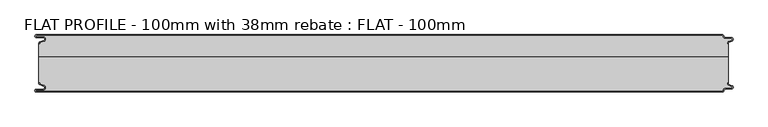
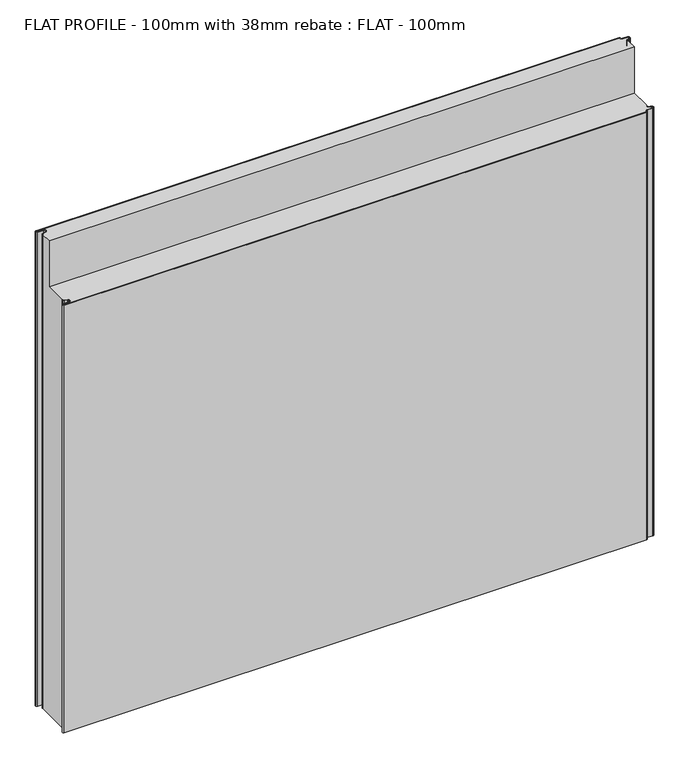
"""IFC4 building model written with IfcOpenShell, lengths in millimetres: proxy geometry, FLAT PROFILE - 100mm with 38mm rebate : FLAT - 100mm."""

import ifcopenshell
import ifcopenshell.guid

model = None  # the IFC model being written
_history = None  # IfcOwnerHistory: only IFC2X3 demands one
_inside = {}  # id of a spatial element -> (the spatial element, [elements in it])
_under = {}  # id of a project, library or spatial element -> (it, [spatial elements below it])
_declared = {}  # id of a project -> (the project, [libraries it declares])
_typed = {}  # id of a type object -> (the type object, [elements of that type])
_made_of = {}  # id of a material, layer set ... -> (it, [elements and type objects made of it])


def new_model(schema):
    """Start an empty IFC model of exactly this schema.

    Asked for "IFC4X3", IfcOpenShell would pick the latest addendum, in which some entities
    have other attributes; the version numbers below select the first issue.
    IFC2X3 requires an IfcOwnerHistory on every rooted entity: one is made here for all.
    """
    global model, _history
    if schema == "IFC4X3":
        model = ifcopenshell.file(schema_version=(4, 3, 0, 0))
    else:
        model = ifcopenshell.file(schema=schema)
    _inside.clear()
    _under.clear()
    _declared.clear()
    _typed.clear()
    _made_of.clear()
    _history = None
    if model.schema == "IFC2X3":
        org = make("IfcOrganization", Name="unknown")
        user = make(
            "IfcPersonAndOrganization",
            ThePerson=make("IfcPerson", FamilyName="unknown"),
            TheOrganization=org,
        )
        app = make(
            "IfcApplication",
            ApplicationDeveloper=org,
            Version="unknown",
            ApplicationFullName="unknown",
            ApplicationIdentifier="unknown",
        )
        _history = make(
            "IfcOwnerHistory",
            OwningUser=user,
            OwningApplication=app,
            ChangeAction="ADDED",
            CreationDate=0,
        )
    return model


def make(cls, **values):
    """One entity of the class cls with the attributes given. An attribute that is None is left unset."""
    return model.create_entity(
        cls, **{name: value for name, value in values.items() if value is not None}
    )


def rooted(cls, **values):
    """An entity with a GlobalId (a new one), such as an element, a storey or a relation."""
    return make(cls, GlobalId=ifcopenshell.guid.new(), OwnerHistory=_history, **values)


def si_unit(unit_type, name, prefix=None):
    """IfcSIUnit, for example si_unit("LENGTHUNIT", "METRE", prefix="MILLI")."""
    return make("IfcSIUnit", UnitType=unit_type, Prefix=prefix, Name=name)


def assignment(units):
    """IfcUnitAssignment: the units of a project."""
    return None if units is None else make("IfcUnitAssignment", Units=units)


def point(xyz):
    """IfcCartesianPoint."""
    return None if xyz is None else make("IfcCartesianPoint", Coordinates=xyz)


def direction(xyz):
    """IfcDirection."""
    return None if xyz is None else make("IfcDirection", DirectionRatios=xyz)


def frame(location, z_axis=None, x_axis=None):
    """IfcAxis2Placement3D, a coordinate frame: its origin and axes. An axis left out is left unset."""
    return make(
        "IfcAxis2Placement3D",
        Location=point(location),
        Axis=direction(z_axis),
        RefDirection=direction(x_axis),
    )


def frame_2d(location, x_axis=None):
    """IfcAxis2Placement2D, a coordinate frame in the plane: its origin and x axis."""
    return make(
        "IfcAxis2Placement2D", Location=point(location), RefDirection=direction(x_axis)
    )


def origin():
    """The frame at (0, 0, 0) with its axes left unset."""
    return frame((0.0, 0.0, 0.0))


def origin_with_axes():
    """The frame at (0, 0, 0) with the z axis (0, 0, 1) and the x axis (1, 0, 0) written out."""
    return frame((0.0, 0.0, 0.0), z_axis=(0.0, 0.0, 1.0), x_axis=(1.0, 0.0, 0.0))


def place(relative_to, where):
    """IfcLocalPlacement: puts the frame where relative to a parent placement (None: the world)."""
    return make(
        "IfcLocalPlacement", PlacementRelTo=relative_to, RelativePlacement=where
    )


def context(
    kind, dimensions, precision=None, world=None, true_north=None, identifier=None
):
    """IfcGeometricRepresentationContext, for example the 3D "Model" context."""
    return make(
        "IfcGeometricRepresentationContext",
        ContextIdentifier=identifier,
        ContextType=kind,
        CoordinateSpaceDimension=dimensions,
        Precision=precision,
        WorldCoordinateSystem=world,
        TrueNorth=true_north,
    )


def project(units=None, contexts=None):
    """IfcProject with its units and contexts."""
    return rooted(
        "IfcProject",
        Name="project",
        RepresentationContexts=contexts,
        UnitsInContext=assignment(units),
    )


def spatial(cls, under=None, at=None, **own):
    """A site, building, storey or space (cls), placed at a placement, below another one or the project."""
    s = rooted(cls, ObjectPlacement=at, **own)
    if under is not None:
        _under.setdefault(under.id(), (under, []))[1].append(s)
    return s


def polyline(points):
    """IfcPolyline through the points."""
    return make("IfcPolyline", Points=[point(p) for p in points])


def circle_curve(where, radius):
    """IfcCircle in the frame where."""
    return make("IfcCircle", Position=where, Radius=radius)


def trimmed(basis, trim1, trim2, sense, master):
    """IfcTrimmedCurve: the piece of a basis curve between two trims."""
    return make(
        "IfcTrimmedCurve",
        BasisCurve=basis,
        Trim1=trim1,
        Trim2=trim2,
        SenseAgreement=sense,
        MasterRepresentation=master,
    )


def segment(curve, same_sense, transition):
    """IfcCompositeCurveSegment."""
    return make(
        "IfcCompositeCurveSegment",
        Transition=transition,
        SameSense=same_sense,
        ParentCurve=curve,
    )


def composite_curve(segments, self_intersect=None):
    """IfcCompositeCurve: segments joined end to end."""
    return make("IfcCompositeCurve", Segments=segments, SelfIntersect=self_intersect)


def outline(outer, holes=None, kind="AREA"):
    """IfcArbitraryClosedProfileDef: a profile drawn as a closed curve; with holes, ...WithVoids."""
    if holes is None:
        return make("IfcArbitraryClosedProfileDef", ProfileType=kind, OuterCurve=outer)
    return make(
        "IfcArbitraryProfileDefWithVoids",
        ProfileType=kind,
        OuterCurve=outer,
        InnerCurves=holes,
    )


def extrude(swept, where, along, depth):
    """IfcExtrudedAreaSolid: the profile swept, set in the frame where, extruded along a direction by depth."""
    return make(
        "IfcExtrudedAreaSolid",
        SweptArea=swept,
        Position=where,
        ExtrudedDirection=direction(along),
        Depth=depth,
    )


def shape(context_of_items, identifier, shape_type, items):
    """IfcShapeRepresentation: the items that make up one representation, for example the "Body"."""
    return make(
        "IfcShapeRepresentation",
        ContextOfItems=context_of_items,
        RepresentationIdentifier=identifier,
        RepresentationType=shape_type,
        Items=items,
    )


def source(mapping_origin, context_of_items, identifier, shape_type, items):
    """IfcRepresentationMap: a shape defined once, which mapped items show again and again."""
    return make(
        "IfcRepresentationMap",
        MappingOrigin=mapping_origin,
        MappedRepresentation=shape(context_of_items, identifier, shape_type, items),
    )


def transform(
    local_origin,
    x_axis=None,
    y_axis=None,
    z_axis=None,
    scale=None,
    scale2=None,
    scale3=None,
    uniform=True,
):
    """IfcCartesianTransformationOperator3D, or its non-uniform kind. x_axis, y_axis, z_axis: its Axis1, 2, 3."""
    if uniform:
        return make(
            "IfcCartesianTransformationOperator3D",
            Axis1=direction(x_axis),
            Axis2=direction(y_axis),
            LocalOrigin=point(local_origin),
            Scale=scale,
            Axis3=direction(z_axis),
        )
    return make(
        "IfcCartesianTransformationOperator3DnonUniform",
        Axis1=direction(x_axis),
        Axis2=direction(y_axis),
        LocalOrigin=point(local_origin),
        Scale=scale,
        Axis3=direction(z_axis),
        Scale2=scale2,
        Scale3=scale3,
    )


def mapped(mapping_source, mapping_target):
    """IfcMappedItem: shows the shape of a source again, moved by a transform."""
    return make(
        "IfcMappedItem", MappingSource=mapping_source, MappingTarget=mapping_target
    )


def made_of(thing, what):
    """Note that an element or type object is made of a material, layer set ...; save() writes the relation."""
    if what is not None:
        _made_of.setdefault(what.id(), (what, []))[1].append(thing)
    return thing


def element(
    cls,
    number,
    at=None,
    inside=None,
    cuts=None,
    type_object=None,
    material=None,
    context=None,
    identifier="Body",
    shape_type=None,
    held_by="IfcProductDefinitionShape",
    body=None,
    shapes=None,
    **own,
):
    """One element of the class cls, such as IfcWall. Its Tag is "e" and its number.

    at: its placement. inside: the storey or other place that contains it. cuts: it is an
    opening in that element (IfcRelVoidsElement). A single representation is given by context,
    identifier, shape_type and body (its items); several are given by shapes. held_by: the class
    of the entity that holds the representations. save() writes the other relations.
    """
    e = rooted(cls, Tag="e%d" % number, ObjectPlacement=at, **own)
    if body is not None:
        shapes = [shape(context, identifier, shape_type, body)]
    if shapes is not None:
        e.Representation = make(held_by, Representations=shapes)
    if inside is not None:
        _inside.setdefault(inside.id(), (inside, []))[1].append(e)
    if cuts is not None:
        rooted(
            "IfcRelVoidsElement", RelatingBuildingElement=cuts, RelatedOpeningElement=e
        )
    if type_object is not None:
        _typed.setdefault(type_object.id(), (type_object, []))[1].append(e)
    return made_of(e, material)


def aggregate(whole, parts):
    """IfcRelAggregates: a whole, such as a stair, and the parts it consists of."""
    return rooted("IfcRelAggregates", RelatingObject=whole, RelatedObjects=parts)


def save(model, path):
    """Write the relations noted so far, then the file.

    IfcRelAggregates (storeys below a building ...), IfcRelContainedInSpatialStructure (elements
    in a storey), IfcRelDefinesByType, IfcRelAssociatesMaterial and IfcRelDeclares: one each for
    every whole, place, type object, material and project.
    """
    for whole, parts in _under.values():
        aggregate(whole, parts)
    for where, things in _inside.values():
        rooted(
            "IfcRelContainedInSpatialStructure",
            RelatedElements=things,
            RelatingStructure=where,
        )
    for kind, things in _typed.values():
        rooted("IfcRelDefinesByType", RelatedObjects=things, RelatingType=kind)
    for what, things in _made_of.values():
        rooted("IfcRelAssociatesMaterial", RelatedObjects=things, RelatingMaterial=what)
    for by, libraries in _declared.values():
        rooted("IfcRelDeclares", RelatingContext=by, RelatedDefinitions=libraries)
    model.write(path)


def plane_surface(at):
    """IfcPlane: the flat surface through the origin of the frame at, square to its z axis."""
    return make("IfcPlane", Position=at)


def cylinder_surface(at, radius):
    """IfcCylindricalSurface: all points at the distance radius from the z axis of the frame at."""
    return make("IfcCylindricalSurface", Position=at, Radius=radius)


def revolved_surface(curve, axis_point, axis_direction):
    """IfcSurfaceOfRevolution: the curve turned about the line through axis_point along axis_direction."""
    return make(
        "IfcSurfaceOfRevolution",
        SweptCurve=make("IfcArbitraryOpenProfileDef", ProfileType="CURVE", Curve=curve),
        AxisPosition=make("IfcAxis1Placement", Location=point(axis_point), Axis=direction(axis_direction)),
    )


def advanced_brep(points, edges, surfaces, faces):
    """IfcAdvancedBrep: a solid bounded by faces that lie on surfaces and meet in shared edges.

    An edge is (start, end): straight between two places in points (the first is 0);
    or (start, end, curve); or (start, end, curve, False) where it runs against its curve.
    A face is (place in surfaces, loops), or (place, loops, False) where it looks against
    its surface's normal. A loop lists edges by number (the first is 1), with a minus sign
    where the edge is run from its end to its start. The first loop is the outer one.
    """
    corners = [point(p) for p in points]
    vertices = [make("IfcVertexPoint", VertexGeometry=c) for c in corners]
    made = []
    for start, end, *more in edges:
        made.append(
            make(
                "IfcEdgeCurve",
                EdgeStart=vertices[start],
                EdgeEnd=vertices[end],
                EdgeGeometry=more[0] if more else make("IfcPolyline", Points=[corners[start], corners[end]]),
                SameSense=more[1] if len(more) > 1 else True,
            )
        )
    hull = []
    for where, loops, *sense in faces:
        bounds = []
        for j, loop in enumerate(loops):
            ring = [make("IfcOrientedEdge", EdgeElement=made[abs(k) - 1], Orientation=k > 0) for k in loop]
            bounds.append(
                make(
                    "IfcFaceOuterBound" if j == 0 else "IfcFaceBound",
                    Bound=make("IfcEdgeLoop", EdgeList=ring),
                    Orientation=True,
                )
            )
        hull.append(make("IfcAdvancedFace", Bounds=bounds, FaceSurface=surfaces[where], SameSense=sense[0] if sense else True))
    return make("IfcAdvancedBrep", Outer=make("IfcClosedShell", CfsFaces=hull))


def flat_profile_100mm_with_38mm_rebate_flat_100mm_79537b9f(model_context):
    return source(origin(), model_context, "Body", "SolidModel", [
        extrude(outline(composite_curve([segment(trimmed(circle_curve(frame_2d((-591.0050311, 35.1831944)), 1.0022625), [point((-591.3794419, 36.1128969))], [point((-591.9881924, 35.3779357))], True, "CARTESIAN"), True, "CONTINUOUS"), segment(polyline([(-591.9881924, 35.3779357), (-591.9881924, 34.2522214), (-592.9881924, 34.2522214), (-592.9881924, 35.4591051)]), True, "CONTINUOUS"), segment(trimmed(circle_curve(frame_2d((-591.0050311, 35.1831944)), 2.0022625), [point((-592.9881924, 35.4591051))], [point((-591.7530074, 37.0405007))], False, "CARTESIAN"), True, "CONTINUOUS"), segment(polyline([(-591.7530074, 37.0405007), (-589.7483949, 37.8478003), (-584.2598383, 39.8454715)]), True, "CONTINUOUS"), segment(trimmed(circle_curve(frame_2d((-585.2882153, 42.3376495)), 2.6960175), [point((-584.2598383, 39.8454715))], [point((-584.9801705, 45.0160107))], True, "CARTESIAN"), True, "CONTINUOUS"), segment(polyline([(-584.9801705, 45.0160107), (-597.3387672, 45.0160107)]), True, "CONTINUOUS"), segment(trimmed(circle_curve(frame_2d((-597.4921978, 47.511298)), 2.5), [point((-597.3387672, 45.0160107))], [point((-597.2548091, 50.0000019))], False, "CARTESIAN"), True, "CONTINUOUS"), segment(polyline([(-597.2548091, 50.0000019), (596.9016875, 50.0000019)]), True, "CONTINUOUS"), segment(trimmed(circle_curve(frame_2d((596.9047345, 47.4926459)), 2.5073578), [point((596.9016875, 50.0000019))], [point((599.4117582, 47.4517176))], False, "CARTESIAN"), True, "CONTINUOUS"), segment(trimmed(circle_curve(frame_2d((601.9112919, 47.5000019)), 2.5), [point((599.4117582, 47.4517176))], [point((601.9112919, 45.0000019))], True, "CARTESIAN"), True, "CONTINUOUS"), segment(polyline([(601.9112919, 45.0000019), (612.3116271, 45.0000019)]), True, "CONTINUOUS"), segment(trimmed(circle_curve(frame_2d((612.3116271, 41.9000019)), 3.1), [point((612.3116271, 45.0000019))], [point((613.3890842, 38.9932707))], False, "CARTESIAN"), True, "CONTINUOUS"), segment(polyline([(613.3890842, 38.9932707), (611.1427659, 38.1731578), (608.2411829, 37.0549269)]), True, "CONTINUOUS"), segment(trimmed(circle_curve(frame_2d((609.0514567, 35.1592666)), 2.0615701), [point((608.2411829, 37.0549269))], [point((607.0118076, 35.4591051))], True, "CARTESIAN"), True, "CONTINUOUS"), segment(polyline([(607.0118076, 35.4591051), (607.0118076, 34.2522232), (606.0107004, 34.2522232), (606.0682599, 35.475074)]), True, "CONTINUOUS"), segment(trimmed(circle_curve(frame_2d((608.9399875, 35.2468953)), 2.8807786), [point((606.0682599, 35.475074))], [point((607.8546835, 37.9154156))], False, "CARTESIAN"), True, "CONTINUOUS"), segment(polyline([(607.8546835, 37.9154156), (610.7828028, 39.1063001), (613.0435993, 39.9316988)]), True, "CONTINUOUS"), segment(trimmed(circle_curve(frame_2d((612.3116271, 41.9000019)), 2.1), [point((613.0435993, 39.9316988))], [point((612.3116271, 44.0000019))], True, "CARTESIAN"), True, "CONTINUOUS"), segment(polyline([(612.3116271, 44.0000019), (601.9112919, 44.0000019)]), True, "CONTINUOUS"), segment(trimmed(circle_curve(frame_2d((601.9112919, 47.5000019)), 3.5), [point((601.9112919, 44.0000019))], [point((598.4115951, 47.4539337))], False, "CARTESIAN"), True, "CONTINUOUS"), segment(trimmed(circle_curve(frame_2d((596.9047345, 47.4926459)), 1.5073578), [point((598.4115951, 47.4539337))], [point((596.902372, 49.0000019))], True, "CARTESIAN"), True, "CONTINUOUS"), segment(polyline([(596.902372, 49.0000019), (-597.3084562, 49.0000019)]), True, "CONTINUOUS"), segment(trimmed(circle_curve(frame_2d((-597.4921978, 47.511298)), 1.5), [point((-597.3084562, 49.0000019))], [point((-597.3733883, 46.0160107))], True, "CARTESIAN"), True, "CONTINUOUS"), segment(polyline([(-597.3733883, 46.0160107), (-584.9273771, 46.0160107)]), True, "CONTINUOUS"), segment(trimmed(circle_curve(frame_2d((-585.2882153, 42.3376495)), 3.6960175), [point((-584.9273771, 46.0160107))], [point((-583.8995097, 38.9124426))], False, "CARTESIAN"), True, "CONTINUOUS"), segment(polyline([(-583.8995097, 38.9124426), (-589.3904999, 36.9138856), (-591.3794419, 36.1128969)]), True, "CONTINUOUS")], self_intersect=False)), origin_with_axes(), (0.0, 0.0, 1.0), 1026.3887139),
        extrude(outline(composite_curve([segment(polyline([(-591.3794419, -36.1128932), (-589.3904999, -36.9138819), (-583.8995097, -38.9124389)]), True, "CONTINUOUS"), segment(trimmed(circle_curve(frame_2d((-585.2882153, -42.3376458)), 3.6960175), [point((-583.8995097, -38.9124389))], [point((-584.9273771, -46.016007))], False, "CARTESIAN"), True, "CONTINUOUS"), segment(polyline([(-584.9273771, -46.016007), (-597.3733883, -46.016007)]), True, "CONTINUOUS"), segment(trimmed(circle_curve(frame_2d((-597.4921978, -47.5112943)), 1.5), [point((-597.3733883, -46.016007))], [point((-597.3084562, -48.9999981))], True, "CARTESIAN"), True, "CONTINUOUS"), segment(polyline([(-597.3084562, -48.9999981), (596.902372, -48.9999981)]), True, "CONTINUOUS"), segment(trimmed(circle_curve(frame_2d((596.9047345, -47.4926422)), 1.5073578), [point((596.902372, -48.9999981))], [point((598.4115951, -47.45393))], True, "CARTESIAN"), True, "CONTINUOUS"), segment(trimmed(circle_curve(frame_2d((601.9112919, -47.4999981)), 3.5), [point((598.4115951, -47.45393))], [point((601.9112919, -43.9999981))], False, "CARTESIAN"), True, "CONTINUOUS"), segment(polyline([(601.9112919, -43.9999981), (612.3116271, -43.9999981)]), True, "CONTINUOUS"), segment(trimmed(circle_curve(frame_2d((612.3116271, -41.8999981)), 2.1), [point((612.3116271, -43.9999981))], [point((613.0435993, -39.9316951))], True, "CARTESIAN"), True, "CONTINUOUS"), segment(polyline([(613.0435993, -39.9316951), (610.7828028, -39.1062964), (607.8546835, -37.9154119)]), True, "CONTINUOUS"), segment(trimmed(circle_curve(frame_2d((608.9399875, -35.2468916)), 2.8807786), [point((607.8546835, -37.9154119))], [point((606.0682599, -35.4750703))], False, "CARTESIAN"), True, "CONTINUOUS"), segment(polyline([(606.0682599, -35.4750703), (606.0107004, -34.2522195), (607.0118076, -34.2522195), (607.0118076, -35.4591014)]), True, "CONTINUOUS"), segment(trimmed(circle_curve(frame_2d((609.0514567, -35.1592629)), 2.0615701), [point((607.0118076, -35.4591014))], [point((608.2411829, -37.0549231))], True, "CARTESIAN"), True, "CONTINUOUS"), segment(polyline([(608.2411829, -37.0549231), (611.1427659, -38.1731541), (613.3890842, -38.993267)]), True, "CONTINUOUS"), segment(trimmed(circle_curve(frame_2d((612.3116271, -41.8999981)), 3.1), [point((613.3890842, -38.993267))], [point((612.3116271, -44.9999981))], False, "CARTESIAN"), True, "CONTINUOUS"), segment(polyline([(612.3116271, -44.9999981), (601.9112919, -44.9999981)]), True, "CONTINUOUS"), segment(trimmed(circle_curve(frame_2d((601.9112919, -47.4999981)), 2.5), [point((601.9112919, -44.9999981))], [point((599.4117582, -47.4517139))], True, "CARTESIAN"), True, "CONTINUOUS"), segment(trimmed(circle_curve(frame_2d((596.9047345, -47.4926422)), 2.5073578), [point((599.4117582, -47.4517139))], [point((596.9016875, -49.9999981))], False, "CARTESIAN"), True, "CONTINUOUS"), segment(polyline([(596.9016875, -49.9999981), (-597.2548091, -49.9999981)]), True, "CONTINUOUS"), segment(trimmed(circle_curve(frame_2d((-597.4921978, -47.5112943)), 2.5), [point((-597.2548091, -49.9999981))], [point((-597.3387672, -45.016007))], False, "CARTESIAN"), True, "CONTINUOUS"), segment(polyline([(-597.3387672, -45.016007), (-584.9801705, -45.016007)]), True, "CONTINUOUS"), segment(trimmed(circle_curve(frame_2d((-585.2882153, -42.3376458)), 2.6960175), [point((-584.9801705, -45.016007))], [point((-584.2598383, -39.8454678))], True, "CARTESIAN"), True, "CONTINUOUS"), segment(polyline([(-584.2598383, -39.8454678), (-589.7483949, -37.8477966), (-591.7530074, -37.040497)]), True, "CONTINUOUS"), segment(trimmed(circle_curve(frame_2d((-591.0050311, -35.1831907)), 2.0022625), [point((-591.7530074, -37.040497))], [point((-592.9881924, -35.4591014))], False, "CARTESIAN"), True, "CONTINUOUS"), segment(polyline([(-592.9881924, -35.4591014), (-592.9881924, -34.2522177), (-591.9881924, -34.2522177), (-591.9881924, -35.3779319)]), True, "CONTINUOUS"), segment(trimmed(circle_curve(frame_2d((-591.0050311, -35.1831907)), 1.0022625), [point((-591.9881924, -35.3779319))], [point((-591.3794419, -36.1128932))], True, "CARTESIAN"), True, "CONTINUOUS")], self_intersect=False)), origin_with_axes(), (0.0, 0.0, 1.0), 926.3887139),
        advanced_brep(
        [(-591.3794419, 36.1128969, 1026.3887139), (-591.9881924, 35.3779357, 1026.3887139), (-591.9881924, 34.2522214, 1026.3887139), (-592.9881924, 34.2522214, 1026.3887139), (-592.9881924, 11.9887057, 1026.3887139), (607.0118076, 11.9887057, 1026.3887139), (607.0118076, 34.2522232, 1026.3887139), (606.0107004, 34.2522232, 1026.3887139), (606.0682599, 35.475074, 1026.3887139), (607.8546835, 37.9154156, 1026.3887139), (610.7828028, 39.1063001, 1026.3887139), (613.0435993, 39.9316988, 1026.3887139), (612.3116271, 44.0000019, 1026.3887139), (601.9112919, 44.0000019, 1026.3887139), (598.4115951, 47.4539337, 1026.3887139), (596.902372, 49.0000019, 1026.3887139), (-597.3084562, 49.0000019, 1026.3887139), (-597.3733883, 46.0160107, 1026.3887139), (-584.9273771, 46.0160107, 1026.3887139), (-583.8995097, 38.9124426, 1026.3887139), (-589.3904999, 36.9138856, 1026.3887139), (-591.3794419, 36.1128969, 0.0), (-589.3904999, 36.9138856, 0.0), (-583.8995097, 38.9124426, 0.0), (-584.9273771, 46.0160107, 0.0), (-597.3733883, 46.0160107, 0.0), (-597.3084562, 49.0000019, 0.0), (596.902372, 49.0000019, 0.0), (598.4115951, 47.4539337, 0.0), (601.9112919, 44.0000019, 0.0), (612.3116271, 44.0000019, 0.0), (613.0435993, 39.9316988, 0.0), (610.7828028, 39.1063001, 0.0), (607.8546835, 37.9154156, 0.0), (606.0682599, 35.475074, 0.0), (606.0107004, 34.2522232, 0.0), (607.0118076, 34.2522232, 0.0), (607.0118076, -34.2522195, 0.0), (606.0107004, -34.2522195, 0.0), (606.0682599, -35.4750703, 0.0), (607.8546835, -37.9154119, 0.0), (610.7828028, -39.1062964, 0.0), (613.0435993, -39.9316951, 0.0), (612.3116271, -43.9999981, 0.0), (601.9112919, -43.9999981, 0.0), (598.4115951, -47.45393, 0.0), (596.902372, -48.9999981, 0.0), (-597.3084562, -48.9999981, 0.0), (-597.3733883, -46.016007, 0.0), (-584.9273771, -46.016007, 0.0), (-583.8995097, -38.9124389, 0.0), (-589.3904999, -36.9138819, 0.0), (-591.3794419, -36.1128932, 0.0), (-591.9881924, -35.3779319, 0.0), (-591.9881924, -34.2522214, 0.0), (-592.9881924, -34.2522214, 0.0), (-592.9881924, 34.2522214, 0.0), (-591.9881924, 34.2522214, 0.0), (-591.9881924, 35.3779357, 0.0), (-592.9881924, -34.2522214, 926.3887139), (-592.9881924, -27.0147367, 926.3887139), (-592.9881924, 11.9887057, 926.3887139), (-591.9881924, -34.2522214, 926.3887139), (-591.9881924, -35.3779319, 926.3887139), (-591.3794419, -36.1128932, 926.3887139), (-589.3904999, -36.9138819, 926.3887139), (-583.8995097, -38.9124389, 926.3887139), (-584.9273771, -46.016007, 926.3887139), (-597.3733883, -46.016007, 926.3887139), (-597.3084562, -48.9999981, 926.3887139), (596.902372, -48.9999981, 926.3887139), (598.4115951, -47.45393, 926.3887139), (601.9112919, -43.9999981, 926.3887139), (612.3116271, -43.9999981, 926.3887139), (613.0435993, -39.9316951, 926.3887139), (610.7828028, -39.1062964, 926.3887139), (607.8546835, -37.9154119, 926.3887139), (606.0682599, -35.4750703, 926.3887139), (606.0107004, -34.2522195, 926.3887139), (607.0118076, -34.2522195, 926.3887139), (607.0118076, 11.9887057, 926.3887139), (607.0118076, -27.0147367, 926.3887139)],
        [
            (0, 1, circle_curve(frame((-591.0050311, 35.1831944, 1026.3887139), z_axis=(0.0, 0.0, 1.0), x_axis=(-0.9809418279781308, 0.19430164724706622, 0.0)), 1.0022625)),
            (1, 2),
            (2, 3),
            (3, 4),
            (4, 5),
            (5, 6),
            (6, 7),
            (7, 8),
            (8, 9, circle_curve(frame((608.9399875, 35.2468953, 1026.3887139), z_axis=(0.0, 0.0, -1.0), x_axis=(-0.3767398216573044, 0.9263191171392408, 0.0)), 2.8807786)),
            (9, 10),
            (10, 11),
            (11, 12, circle_curve(frame((612.3116271, 41.9000019, 1026.3887139), z_axis=(0.0, 0.0, 1.0), x_axis=(0.0, 1.0, 0.0)), 2.1)),
            (12, 13),
            (13, 14, circle_curve(frame((601.9112919, 47.5000019, 1026.3887139), z_axis=(0.0, 0.0, -1.0), x_axis=(-0.9999133729245651, -0.01316231919608663, 0.0)), 3.5)),
            (14, 15, circle_curve(frame((596.9047345, 47.4926459, 1026.3887139), z_axis=(0.0, 0.0, 1.0), x_axis=(-0.001567336480790923, 0.9999987717274237, 0.0)), 1.5073578)),
            (15, 16),
            (16, 17, circle_curve(frame((-597.4921978, 47.511298, 1026.3887139), z_axis=(0.0, 0.0, 1.0), x_axis=(0.07920631384694989, -0.9968582446099238, 0.0)), 1.5)),
            (17, 18),
            (18, 19, circle_curve(frame((-585.2882153, 42.3376495, 1026.3887139), z_axis=(0.0, 0.0, -1.0), x_axis=(0.3757302444367203, -0.9267290776788665, 0.0)), 3.6960175)),
            (19, 20),
            (20, 0),
            (21, 22),
            (22, 23),
            (23, 24, circle_curve(frame((-585.2882153, 42.3376495, 0.0), z_axis=(0.0, 0.0, 1.0), x_axis=(0.3757302444367203, -0.9267290776788665, 0.0)), 3.6960175)),
            (24, 25),
            (25, 26, circle_curve(frame((-597.4921978, 47.511298, 0.0), z_axis=(0.0, 0.0, -1.0), x_axis=(0.07920631384694989, -0.9968582446099238, 0.0)), 1.5)),
            (26, 27),
            (27, 28, circle_curve(frame((596.9047345, 47.4926459, 0.0), z_axis=(0.0, 0.0, -1.0), x_axis=(-0.001567336480790923, 0.9999987717274237, 0.0)), 1.5073578)),
            (28, 29, circle_curve(frame((601.9112919, 47.5000019, 0.0), z_axis=(0.0, 0.0, 1.0), x_axis=(-0.9999133729245651, -0.01316231919608663, 0.0)), 3.5)),
            (29, 30),
            (30, 31, circle_curve(frame((612.3116271, 41.9000019, 0.0), z_axis=(0.0, 0.0, -1.0), x_axis=(0.0, 1.0, 0.0)), 2.1)),
            (31, 32),
            (32, 33),
            (33, 34, circle_curve(frame((608.9399875, 35.2468953, 0.0), z_axis=(0.0, 0.0, 1.0), x_axis=(-0.3767398216573044, 0.9263191171392408, 0.0)), 2.8807786)),
            (34, 35),
            (35, 36),
            (36, 37),
            (37, 38),
            (38, 39),
            (39, 40, circle_curve(frame((608.9399875, -35.2468916, 0.0), z_axis=(0.0, 0.0, 1.0), x_axis=(-0.37673982165718617, -0.9263191171392889, 0.0)), 2.8807786)),
            (40, 41),
            (41, 42),
            (42, 43, circle_curve(frame((612.3116271, -41.8999981, 0.0), z_axis=(0.0, 0.0, -1.0), x_axis=(0.0, -1.0, 0.0)), 2.1)),
            (43, 44),
            (44, 45, circle_curve(frame((601.9112919, -47.4999981, 0.0), z_axis=(0.0, 0.0, 1.0), x_axis=(-0.9999133729245651, 0.013162319196090405, 0.0)), 3.5)),
            (45, 46, circle_curve(frame((596.9047345, -47.4926422, 0.0), z_axis=(0.0, 0.0, -1.0), x_axis=(-0.0015673364807945796, -0.9999987717274237, 0.0)), 1.5073578)),
            (46, 47),
            (47, 48, circle_curve(frame((-597.4921978, -47.5112943, 0.0), z_axis=(0.0, 0.0, -1.0), x_axis=(0.07920631384695365, 0.9968582446099234, 0.0)), 1.5)),
            (48, 49),
            (49, 50, circle_curve(frame((-585.2882153, -42.3376458, 0.0), z_axis=(0.0, 0.0, 1.0), x_axis=(0.3757302444367238, 0.926729077678865, 0.0)), 3.6960175)),
            (50, 51),
            (51, 52),
            (52, 53, circle_curve(frame((-591.0050311, -35.1831907, 0.0), z_axis=(0.0, 0.0, -1.0), x_axis=(-0.9809418279781315, -0.1943016472470625, 0.0)), 1.0022625)),
            (53, 54),
            (54, 55),
            (55, 56),
            (56, 57),
            (57, 58),
            (58, 21, circle_curve(frame((-591.0050311, 35.1831944, 0.0), z_axis=(0.0, 0.0, -1.0), x_axis=(-0.9809418279781308, 0.19430164724706622, 0.0)), 1.0022625)),
            (0, 21),
            (58, 1),
            (57, 2),
            (56, 3),
            (55, 59),
            (59, 60),
            (60, 61),
            (61, 4),
            (54, 62),
            (62, 59),
            (53, 63),
            (63, 62),
            (52, 64),
            (64, 63, circle_curve(frame((-591.0050311, -35.1831907, 926.3887139), z_axis=(0.0, 0.0, -1.0), x_axis=(-0.9809418279781315, -0.1943016472470625, 0.0)), 1.0022625)),
            (51, 65),
            (65, 64),
            (50, 66),
            (66, 65),
            (49, 67),
            (67, 66, circle_curve(frame((-585.2882153, -42.3376458, 926.3887139), z_axis=(0.0, 0.0, 1.0), x_axis=(0.3757302444367238, 0.926729077678865, 0.0)), 3.6960175)),
            (48, 68),
            (68, 67),
            (47, 69),
            (69, 68, circle_curve(frame((-597.4921978, -47.5112943, 926.3887139), z_axis=(0.0, 0.0, -1.0), x_axis=(0.07920631384695365, 0.9968582446099234, 0.0)), 1.5)),
            (46, 70),
            (70, 69),
            (45, 71),
            (71, 70, circle_curve(frame((596.9047345, -47.4926422, 926.3887139), z_axis=(0.0, 0.0, -1.0), x_axis=(-0.0015673364807945796, -0.9999987717274237, 0.0)), 1.5073578)),
            (44, 72),
            (72, 71, circle_curve(frame((601.9112919, -47.4999981, 926.3887139), z_axis=(0.0, 0.0, 1.0), x_axis=(-0.9999133729245651, 0.013162319196090405, 0.0)), 3.5)),
            (43, 73),
            (73, 72),
            (42, 74),
            (74, 73, circle_curve(frame((612.3116271, -41.8999981, 926.3887139), z_axis=(0.0, 0.0, -1.0), x_axis=(0.0, -1.0, 0.0)), 2.1)),
            (41, 75),
            (75, 74),
            (40, 76),
            (76, 75),
            (39, 77),
            (77, 76, circle_curve(frame((608.9399875, -35.2468916, 926.3887139), z_axis=(0.0, 0.0, 1.0), x_axis=(-0.37673982165718617, -0.9263191171392889, 0.0)), 2.8807786)),
            (38, 78),
            (78, 77),
            (37, 79),
            (79, 78),
            (36, 6),
            (5, 80),
            (80, 81),
            (81, 79),
            (35, 7),
            (34, 8),
            (33, 9),
            (32, 10),
            (31, 11),
            (30, 12),
            (29, 13),
            (28, 14),
            (27, 15),
            (26, 16),
            (25, 17),
            (24, 18),
            (23, 19),
            (22, 20),
            (61, 80),
        ],
        [
            plane_surface(frame((0.0, 0.0, 1026.3887139), z_axis=(0.0, 0.0, 1.0), x_axis=(1.0, 0.0, 0.0))),
            plane_surface(frame((0.0, 0.0, 0.0), z_axis=(0.0, 0.0, -1.0), x_axis=(1.0, 0.0, 0.0))),
            cylinder_surface(frame((-591.0050311, 35.1831944, 1026.3887139), z_axis=(0.0, 0.0, 1.0), x_axis=(-0.9809418279781308, 0.19430164724706622, 0.0)), 1.0022625),
            plane_surface(frame((-591.9881924, 35.3779357, 1026.3887139), z_axis=(-1.0, 0.0, 0.0), x_axis=(0.0, 0.0, -1.0))),
            plane_surface(frame((-591.9881924, 34.2522214, 1026.3887139), z_axis=(0.0, 1.0, 0.0), x_axis=(0.0, 0.0, -1.0))),
            plane_surface(frame((-592.9881924, 34.2522214, 1026.3887139), z_axis=(-1.0, 0.0, 0.0), x_axis=(0.0, 0.0, -1.0))),
            plane_surface(frame((-592.9881924, -34.2522214, 1026.3887139), z_axis=(0.0, -1.0, 0.0), x_axis=(0.0, 0.0, -1.0))),
            plane_surface(frame((-591.9881924, -34.2522214, 1026.3887139), z_axis=(-1.0, 0.0, 0.0), x_axis=(0.0, 0.0, -1.0))),
            cylinder_surface(frame((-591.0050311, -35.1831907, 1026.3887139), z_axis=(0.0, 0.0, 1.0), x_axis=(-0.9809418279781315, -0.1943016472470625, 0.0)), 1.0022625),
            plane_surface(frame((-591.3794419, -36.1128932, 1026.3887139), z_axis=(-0.3735655344162246, -0.927603790147669, 0.0), x_axis=(0.0, 0.0, -1.0))),
            plane_surface(frame((-589.3904999, -36.9138819, 1026.3887139), z_axis=(-0.34202014332566044, -0.9396926207859114, 0.0), x_axis=(0.0, 0.0, -1.0))),
            revolved_surface(polyline([(-583.8995097412826, -38.91243891114005, 0.0), (-583.8995097412826, -38.91243891114005, 926.3887139)]), (-585.2882153, -42.3376458, 1026.3887139), (0.0, 0.0, -1.0)),
            plane_surface(frame((-584.9273771, -46.016007, 1026.3887139), z_axis=(0.0, 1.0, 0.0), x_axis=(0.0, 0.0, -1.0))),
            cylinder_surface(frame((-597.4921978, -47.5112943, 1026.3887139), z_axis=(0.0, 0.0, 1.0), x_axis=(0.07920631384695365, 0.9968582446099234, 0.0)), 1.5),
            plane_surface(frame((-597.3084562, -48.9999981, 1026.3887139), z_axis=(0.0, -1.0, 0.0), x_axis=(0.0, 0.0, -1.0))),
            cylinder_surface(frame((596.9047345, -47.4926422, 1026.3887139), z_axis=(0.0, 0.0, 1.0), x_axis=(-0.0015673364807945796, -0.9999987717274237, 0.0)), 1.5073578),
            revolved_surface(polyline([(598.411595094764, -47.45392998281368, 0.0), (598.411595094764, -47.45392998281368, 926.3887139)]), (601.9112919, -47.4999981, 1026.3887139), (0.0, 0.0, -1.0)),
            plane_surface(frame((601.9112919, -43.9999981, 1026.3887139), z_axis=(0.0, -1.0, 0.0), x_axis=(0.0, 0.0, -1.0))),
            cylinder_surface(frame((612.3116271, -41.8999981, 1026.3887139), z_axis=(0.0, 0.0, 1.0), x_axis=(0.0, -1.0, 0.0)), 2.1),
            plane_surface(frame((613.0435993, -39.9316951, 1026.3887139), z_axis=(0.3429504420524923, 0.939353498048525, 0.0), x_axis=(0.0, 0.0, -1.0))),
            plane_surface(frame((610.7828028, -39.1062964, 1026.3887139), z_axis=(0.3767398216573625, 0.9263191171392172, 0.0), x_axis=(0.0, 0.0, -1.0))),
            revolved_surface(polyline([(607.8546834840022, -37.915411889425755, -4.547473508864641e-13), (607.8546834840022, -37.915411889425755, 926.3887138999999)]), (608.9399875, -35.2468916, 1026.3887139), (0.0, 0.0, -1.0000000000000002)),
            plane_surface(frame((606.0682599, -35.4750703, 1026.3887139), z_axis=(0.9988940489238197, 0.047017858570736114, 0.0), x_axis=(0.0, 0.0, -1.0))),
            plane_surface(frame((606.0107004, -34.2522195, 1026.3887139), z_axis=(0.0, -1.0, 0.0), x_axis=(0.0, 0.0, -1.0))),
            plane_surface(frame((607.0118076, -34.2522195, 1026.3887139), z_axis=(1.0, 0.0, 0.0), x_axis=(0.0, 0.0, -1.0))),
            plane_surface(frame((607.0118076, 34.2522232, 1026.3887139), z_axis=(0.0, 1.0, 0.0), x_axis=(0.0, 0.0, -1.0))),
            plane_surface(frame((606.0107004, 34.2522232, 1026.3887139), z_axis=(0.9988940489238193, -0.0470178585707465, 0.0), x_axis=(0.0, 0.0, -1.0))),
            revolved_surface(polyline([(607.8546834840018, 37.91541558942561, 0.0), (607.8546834840018, 37.91541558942561, 1026.3887139)]), (608.9399875, 35.2468953, 1026.3887139), (0.0, 0.0, -1.0)),
            plane_surface(frame((607.8546835, 37.9154156, 1026.3887139), z_axis=(0.3767398216573234, -0.9263191171392331, 0.0), x_axis=(0.0, 0.0, -1.0))),
            plane_surface(frame((610.7828028, 39.1063001, 1026.3887139), z_axis=(0.3429504420524923, -0.939353498048525, 0.0), x_axis=(0.0, 0.0, -1.0))),
            cylinder_surface(frame((612.3116271, 41.9000019, 1026.3887139), z_axis=(0.0, 0.0, 1.0), x_axis=(0.0, 1.0, 0.0)), 2.1),
            plane_surface(frame((612.3116271, 44.0000019, 1026.3887139), z_axis=(0.0, 1.0, 0.0), x_axis=(0.0, 0.0, -1.0))),
            revolved_surface(polyline([(598.411595094764, 47.4539337828137, 0.0), (598.411595094764, 47.4539337828137, 1026.3887139)]), (601.9112919, 47.5000019, 1026.3887139), (0.0, 0.0, -1.0)),
            cylinder_surface(frame((596.9047345, 47.4926459, 1026.3887139), z_axis=(0.0, 0.0, 1.0), x_axis=(-0.001567336480790923, 0.9999987717274237, 0.0)), 1.5073578),
            plane_surface(frame((596.902372, 49.0000019, 1026.3887139), z_axis=(0.0, 1.0, 0.0), x_axis=(0.0, 0.0, -1.0))),
            cylinder_surface(frame((-597.4921978, 47.511298, 1026.3887139), z_axis=(0.0, 0.0, 1.0000000000000002), x_axis=(0.07920631384694989, -0.9968582446099238, 0.0)), 1.5),
            plane_surface(frame((-597.3733883, 46.0160107, 1026.3887139), z_axis=(0.0, -1.0, 0.0), x_axis=(0.0, 0.0, -1.0))),
            revolved_surface(polyline([(-583.8995097412826, 38.91244261114005, -4.547473508864641e-13), (-583.8995097412826, 38.91244261114005, 1026.3887139)]), (-585.2882153, 42.3376495, 1026.3887139), (0.0, 0.0, -1.0000000000000002)),
            plane_surface(frame((-583.8995097, 38.9124426, 1026.3887139), z_axis=(-0.3420201433256566, 0.9396926207859129, 0.0), x_axis=(0.0, 0.0, -1.0))),
            plane_surface(frame((-589.3904999, 36.9138856, 1026.3887139), z_axis=(-0.37356553441622287, 0.9276037901476696, 0.0), x_axis=(0.0, 0.0, -1.0))),
            plane_surface(frame((-602.9881924, 11.9887057, 1026.3887139), z_axis=(0.0, -1.0, 0.0), x_axis=(1.0, 0.0, 0.0))),
            plane_surface(frame((-602.9881924, 11.9887057, 926.3887139), z_axis=(0.0, 0.0, 1.0), x_axis=(1.0, 0.0, 0.0))),
        ],
        [
            (0, [[1, 2, 3, 4, 5, 6, 7, 8, 9, 10, 11, 12, 13, 14, 15, 16, 17, 18, 19, 20, 21]]),
            (1, [[22, 23, 24, 25, 26, 27, 28, 29, 30, 31, 32, 33, 34, 35, 36, 37, 38, 39, 40, 41, 42, 43, 44, 45, 46, 47, 48, 49, 50, 51, 52, 53, 54, 55, 56, 57, 58, 59]]),
            (2, [[-1, 60, -59, 61]]),
            (3, [[-2, -61, -58, 62]]),
            (4, [[-3, -62, -57, 63]]),
            (5, [[-56, 64, 65, 66, 67, -4, -63]]),
            (6, [[-55, 68, 69, -64]]),
            (7, [[-54, 70, 71, -68]]),
            (8, [[-53, 72, 73, -70]]),
            (9, [[-52, 74, 75, -72]]),
            (10, [[-51, 76, 77, -74]]),
            (11, [[-50, 78, 79, -76]]),
            (12, [[-49, 80, 81, -78]]),
            (13, [[-48, 82, 83, -80]]),
            (14, [[-47, 84, 85, -82]]),
            (15, [[-46, 86, 87, -84]]),
            (16, [[-45, 88, 89, -86]]),
            (17, [[-44, 90, 91, -88]]),
            (18, [[-43, 92, 93, -90]]),
            (19, [[-42, 94, 95, -92]]),
            (20, [[-41, 96, 97, -94]]),
            (21, [[-40, 98, 99, -96]]),
            (22, [[-39, 100, 101, -98]]),
            (23, [[-38, 102, 103, -100]]),
            (24, [[-37, 104, -6, 105, 106, 107, -102]]),
            (25, [[-7, -104, -36, 108]]),
            (26, [[-8, -108, -35, 109]]),
            (27, [[-9, -109, -34, 110]]),
            (28, [[-10, -110, -33, 111]]),
            (29, [[-11, -111, -32, 112]]),
            (30, [[-12, -112, -31, 113]]),
            (31, [[-13, -113, -30, 114]]),
            (32, [[-14, -114, -29, 115]]),
            (33, [[-15, -115, -28, 116]]),
            (34, [[-16, -116, -27, 117]]),
            (35, [[-17, -117, -26, 118]]),
            (36, [[-18, -118, -25, 119]]),
            (37, [[-19, -119, -24, 120]]),
            (38, [[-20, -120, -23, 121]]),
            (39, [[-21, -121, -22, -60]]),
            (40, [[122, -105, -5, -67]]),
            (41, [[-122, -66, -65, -69, -71, -73, -75, -77, -79, -81, -83, -85, -87, -89, -91, -93, -95, -97, -99, -101, -103, -107, -106]]),
        ],
    ),
    ])


if __name__ == "__main__":
    model = new_model("IFC4")
    model_context = context("Model", 3, world=origin())
    ifc_project = project(units=[si_unit("LENGTHUNIT", "METRE", prefix="MILLI")], contexts=[model_context])
    site = spatial("IfcSite", under=ifc_project)
    building = spatial("IfcBuilding", under=site)
    placement = place(None, origin())
    flat_profile_100mm_with_38mm_rebate_flat_100mm_shape = flat_profile_100mm_with_38mm_rebate_flat_100mm_79537b9f(model_context)
    element("IfcBuildingElementProxy", 1, Name="FLAT PROFILE - 100mm with 38mm rebate : FLAT - 100mm", ObjectType="FLAT PROFILE - 100mm with 38mm rebate : FLAT - 100mm", at=placement, inside=building, context=model_context, shape_type="MappedRepresentation", body=[
        mapped(flat_profile_100mm_with_38mm_rebate_flat_100mm_shape, transform((0.0, 0.0, 0.0), x_axis=(1.0, 0.0, 0.0), y_axis=(0.0, 1.0, 0.0), z_axis=(0.0, 0.0, 1.0))),
    ])
    save(model, "model.ifc")
